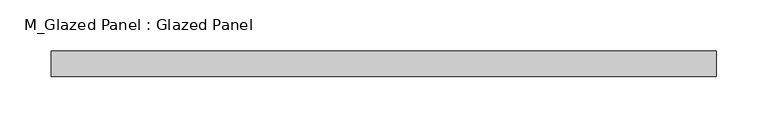
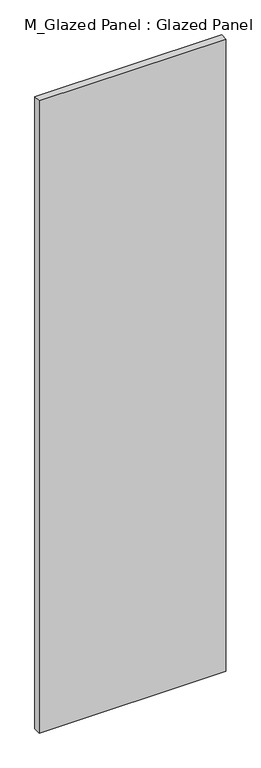
"""IFC4 building model written with IfcOpenShell, lengths in millimetres: plate geometry, M_Glazed Panel : Glazed Panel."""

from ifc_helpers import new_model, si_unit, origin, origin_with_axes, place, context, project, spatial, polyline, outline, extrude, source, transform, mapped, element, save


def m_glazed_panel_glazed_panel_a701754b(model_context):
    return source(origin(), model_context, "Body", "SweptSolid", [
        extrude(outline(polyline([(324.9452529, 38.5), (-324.9452529, 38.5), (-324.9452529, 63.5), (324.9452529, 63.5), (324.9452529, 38.5)])), origin_with_axes(), (0.0, 0.0, 1.0), 2325.0),
    ])


if __name__ == "__main__":
    model = new_model("IFC4")
    model_context = context("Model", 3, world=origin())
    ifc_project = project(units=[si_unit("LENGTHUNIT", "METRE", prefix="MILLI")], contexts=[model_context])
    site = spatial("IfcSite", under=ifc_project)
    building = spatial("IfcBuilding", under=site)
    placement = place(None, origin())
    m_glazed_panel_glazed_panel_shape = m_glazed_panel_glazed_panel_a701754b(model_context)
    element("IfcPlate", 1, ObjectType="M_Glazed Panel : Glazed Panel", at=placement, inside=building, context=model_context, shape_type="MappedRepresentation", body=[
        mapped(m_glazed_panel_glazed_panel_shape, transform((0.0, 0.0, 0.0), x_axis=(1.0, 0.0, 0.0), y_axis=(0.0, 1.0, 0.0), z_axis=(0.0, 0.0, 1.0))),
    ])
    save(model, "model.ifc")
